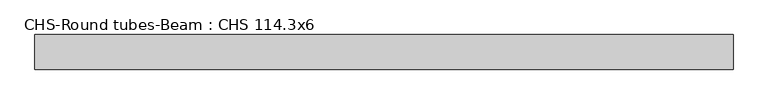
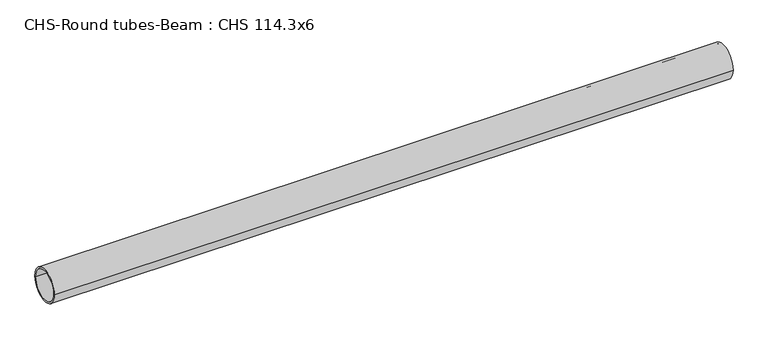
"""IFC4 building model written with IfcOpenShell, lengths in millimetres: beam geometry, CHS-Round tubes-Beam : CHS 114.3x6."""

from ifc_helpers import new_model, si_unit, point, frame, origin, origin_2d, place, context, project, spatial, circle_curve, trimmed, segment, composite_curve, outline, extrude, source, transform, mapped, element, save


def chs_round_tubes_beam_chs_114_3x6_b3174deb(model_context):
    return source(origin(), model_context, "Body", "SweptSolid", [
        extrude(outline(composite_curve([segment(trimmed(circle_curve(origin_2d(), 57.15), [point((57.15, 0.0))], [point((-57.15, 0.0))], False, "CARTESIAN"), True, "CONTINUOUS"), segment(trimmed(circle_curve(origin_2d(), 57.15), [point((-57.15, 0.0))], [point((57.15, 0.0))], False, "CARTESIAN"), True, "CONTINUOUS")], self_intersect=False), holes=[composite_curve([segment(trimmed(circle_curve(origin_2d(), 51.15), [point((51.15, 0.0))], [point((-51.15, 0.0))], True, "CARTESIAN"), True, "CONTINUOUS"), segment(trimmed(circle_curve(origin_2d(), 51.15), [point((-51.15, 0.0))], [point((51.15, 0.0))], True, "CARTESIAN"), True, "CONTINUOUS")], self_intersect=False)]), frame((-1104.5911889, 0.0, 0.0), z_axis=(1.0, 0.0, 0.0), x_axis=(0.0, 1.0, 0.0)), (0.0, 0.0, 1.0), 2306.8723925),
    ])


if __name__ == "__main__":
    model = new_model("IFC4")
    model_context = context("Model", 3, world=origin())
    ifc_project = project(units=[si_unit("LENGTHUNIT", "METRE", prefix="MILLI")], contexts=[model_context])
    site = spatial("IfcSite", under=ifc_project)
    building = spatial("IfcBuilding", under=site)
    placement = place(None, origin())
    chs_round_tubes_beam_chs_114_3x6_shape = chs_round_tubes_beam_chs_114_3x6_b3174deb(model_context)
    element("IfcBeam", 1, ObjectType="CHS-Round tubes-Beam : CHS 114.3x6", at=placement, inside=building, context=model_context, shape_type="MappedRepresentation", body=[
        mapped(chs_round_tubes_beam_chs_114_3x6_shape, transform((0.0, 0.0, 0.0), x_axis=(1.0, 0.0, 0.0), y_axis=(0.0, 1.0, 0.0), z_axis=(0.0, 0.0, 1.0))),
    ])
    save(model, "model.ifc")
